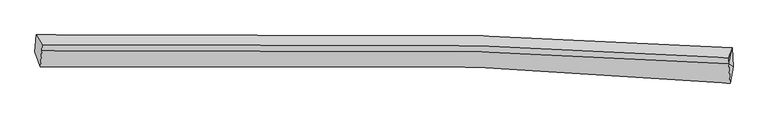
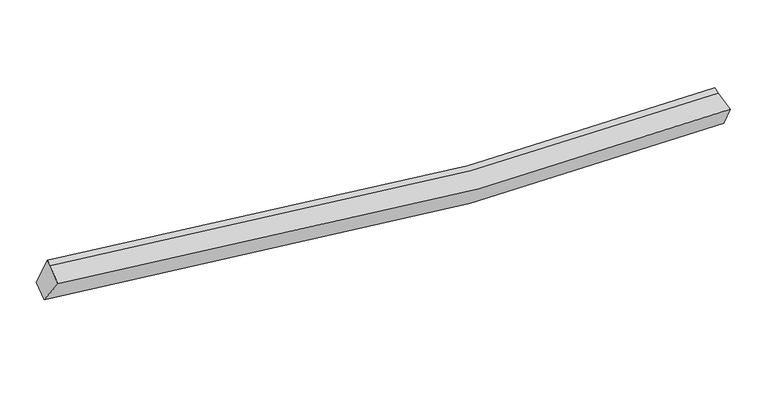
"""IFC4 building model written with IfcOpenShell, lengths in millimetres: proxy geometry."""

from ifc_helpers import new_model, si_unit, frame, origin, place, context, project, spatial, source, transform, mapped, element, save
from ifc_brep_helpers import plane_surface, spline_curve, spline_surface, advanced_brep


def generic_models_098ea172(model_context):
    return source(origin(), model_context, "Body", "AdvancedBrep", [
        advanced_brep(
        [(-8444.6768087, -1980.0500336, 3327.300035), (-8416.0499164, -1588.807697, 3528.2902223), (7798.1280313, -1889.2336701, 2507.0097256), (7821.1793355, -2325.2243945, 2360.7998423), (-8318.2798719, -2330.9831827, 3895.8681833), (7753.1752986, -2710.6996372, 2974.793585), (-8283.3556462, -1963.4224057, 4124.2346969), (7718.1698557, -2262.7488066, 3124.0317218), (-8277.6491741, -1820.0635121, 4174.3289073), (7723.8763278, -2119.389913, 3174.1259322)],
        [
            (0, 1),
            (1, 2, spline_curve(3, [(-8416.0499164, -1588.807697, 3528.2902223), (-4990.216392358, -1495.503279877, 2869.718860881), (-1557.51469954, -1502.016037054, 2492.265421462), (3851.826954392, -1669.238959491, 2340.760508514), (5823.851243153, -1762.868193359, 2377.787116015), (7798.1280313, -1889.2336701, 2507.0097256)], [4, 2, 4], [0.0, 34.03354592713431, 53.52386633013868])),
            (2, 3),
            (3, 0, spline_curve(3, [(7821.1793355, -2325.2243945, 2360.7998423), (5829.400996505, -2176.871077165, 2209.242517691), (3843.964043367, -2067.282835808, 2155.592930595), (-1590.982350603, -1872.789899553, 2277.133634548), (-5027.497445892, -1867.320020603, 2652.949953665), (-8444.6768087, -1980.0500336, 3327.300035)], [4, 2, 4], [0.0, 19.490320403004368, 53.52386633013868])),
            (4, 0),
            (3, 5),
            (5, 4, spline_curve(3, [(7753.1752986, -2710.6996372, 2974.793585), (5786.831587305, -2546.664407461, 2809.824096914), (3826.159942851, -2425.577946745, 2745.638477227), (-1542.614602153, -2210.998031849, 2846.14373871), (-4939.0946814, -2205.512339928, 3217.354225173), (-8318.2798719, -2330.9831827, 3895.8681833)], [4, 2, 4], [0.0, 19.40871074938638, 53.299751790142466])),
            (6, 4),
            (5, 7),
            (7, 6, spline_curve(3, [(7718.1698557, -2262.7488066, 3124.0317218), (5774.379346001, -2136.909471938, 2992.841977847), (3831.139208635, -2043.663389894, 2953.632928248), (-1503.830412514, -1877.099995044, 3098.553195879), (-4894.432109757, -1870.57061056, 3471.16323749), (-8283.3556462, -1963.4224057, 4124.2346969)], [4, 2, 4], [0.0, 19.248144492774124, 52.85880845630582])),
            (8, 6),
            (7, 9),
            (9, 8, spline_curve(3, [(7723.8763278, -2119.389913, 3174.1259322), (5780.085817713, -1993.550578114, 3042.936188419), (3836.845680989, -1900.304495788, 3003.727138916), (-1498.123940858, -1733.741102328, 3148.647405811), (-4888.725637921, -1727.211717261, 3521.257447641), (-8277.6491741, -1820.0635121, 4174.3289073)], [4, 2, 4], [0.0, 19.20271478838599, 52.73405045465115])),
            (1, 8),
            (9, 2),
            (7, 2),
            (3, 7),
        ],
        [
            spline_surface(3, 3, [[(-8444.6768087, -1980.0500336, 3327.300035), (-5027.497445763, -1867.320020401, 2652.949953328), (-1590.982350826, -1872.789899283, 2277.133634941), (3843.964043495, -2067.282835963, 2155.59293037), (5829.400996609, -2176.871077363, 2209.242517846), (7821.1793355, -2325.2243945, 2360.7998423)], [(-8435.134511264, -1849.635921417, 3394.296764103), (-5015.070428111, -1743.381106879, 2725.206256026), (-1579.826467002, -1749.198611792, 2348.844230519), (3846.585013739, -1934.601543864, 2217.31545639), (5827.551078843, -2038.870116141, 2265.424050536), (7813.495567425, -2179.894153039, 2409.536470053)], [(-8425.592213836, -1719.221809183, 3461.293493197), (-5002.643410467, -1619.442193307, 2797.462558716), (-1568.67058314, -1625.607324278, 2420.554826073), (3849.20598402, -1801.920251743, 2279.037982386), (5825.701161102, -1900.869154902, 2321.605583267), (7805.811799375, -2034.563911561, 2458.273097847)], [(-8416.0499164, -1588.807697, 3528.2902223), (-4990.216392816, -1495.503279786, 2869.718861414), (-1557.514699316, -1502.016036788, 2492.265421651), (3851.826954263, -1669.238959644, 2340.760508406), (5823.851243336, -1762.86819368, 2377.787115957), (7798.1280313, -1889.2336701, 2507.0097256)]], [4, 4], [4, 2, 4], [0.0, 1.419136557430814], [0.0, 34.03354592713431, 53.52386633013868]),
            spline_surface(3, 3, [[(-8318.2798719, -2330.9831827, 3895.8681833), (-4939.094681663, -2205.512340307, 3217.354225154), (-1542.614602569, -2210.998031506, 2846.143739231), (3826.159943089, -2425.577946941, 2745.638476928), (5786.831587497, -2546.664407254, 2809.824096716), (7753.1752986, -2710.6996372, 2974.793585)], [(-8360.412184165, -2214.00546634, 3706.345467205), (-4968.562269695, -2092.781567012, 3029.219467883), (-1558.737185324, -2098.26198743, 2656.473704471), (3832.094643221, -2306.14624328, 2548.956628079), (5801.021390544, -2423.399963979, 2609.630237085), (7775.84331091, -2582.207889655, 2770.129004092)], [(-8402.544496435, -2097.02774996, 3516.822751095), (-4998.029857731, -1980.050793696, 2841.084710599), (-1574.85976807, -1985.525943359, 2466.803669702), (3838.029343363, -2186.714539624, 2352.27477922), (5815.211193562, -2300.135520638, 2409.436377477), (7798.51132319, -2453.716142045, 2565.464423208)], [(-8444.6768087, -1980.0500336, 3327.300035), (-5027.497445763, -1867.320020401, 2652.949953328), (-1590.982350826, -1872.789899283, 2277.133634941), (3843.964043495, -2067.282835963, 2155.59293037), (5829.400996609, -2176.871077363, 2209.242517846), (7821.1793355, -2325.2243945, 2360.7998423)]], [4, 4], [4, 2, 4], [0.0, 2.2019210803608282], [0.0, 33.891041040756086, 53.299751790142466]),
            spline_surface(3, 3, [[(-8283.3556462, -1963.4224057, 4124.2346969), (-4894.432109558, -1870.570610509, 3471.163237122), (-1503.830412676, -1877.099995446, 3098.553195778), (3831.139208728, -2043.663389664, 2953.632928306), (5774.3793458, -2136.909471669, 2992.841977976), (7718.1698557, -2262.7488066, 3124.0317218)], [(-8294.997054771, -2085.942664698, 4048.112525681), (-4909.319633597, -1982.217853773, 3386.560233114), (-1516.758475967, -1988.399340817, 3014.416710251), (3829.479453522, -2170.968242107, 2884.301444501), (5778.530093022, -2273.494450177, 2931.836017568), (7729.838336656, -2412.065750113, 3074.285676213)], [(-8306.638463329, -2208.462923702, 3971.990354519), (-4924.207157624, -2093.865097043, 3301.957229162), (-1529.686539278, -2099.698686136, 2930.280224759), (3827.819698295, -2298.273094498, 2814.969960733), (5782.680840276, -2410.079428746, 2870.830057123), (7741.506817644, -2561.382693687, 3024.539630587)], [(-8318.2798719, -2330.9831827, 3895.8681833), (-4939.094681663, -2205.512340307, 3217.354225154), (-1542.614602569, -2210.998031506, 2846.143739231), (3826.159943089, -2425.577946941, 2745.638476928), (5786.831587497, -2546.664407254, 2809.824096716), (7753.1752986, -2710.6996372, 2974.793585)]], [4, 4], [4, 2, 4], [0.0, 1.3907561881086015], [0.0, 33.6106639635317, 52.85880845630582]),
            spline_surface(3, 3, [[(-8277.6491741, -1820.0635121, 4174.3289073), (-4888.725637458, -1727.211716909, 3521.257447522), (-1498.123940576, -1733.741101846, 3148.647406178), (3836.845680828, -1900.304496064, 3003.727138706), (5780.0858179, -1993.550578069, 3042.936188376), (7723.8763278, -2119.389913, 3174.1259322)], [(-8279.551331467, -1867.84980997, 4157.63083717), (-4890.627794824, -1774.998014779, 3504.559377392), (-1500.026097942, -1781.527399716, 3131.949336048), (3834.943523461, -1948.090793933, 2987.029068576), (5778.183660534, -2041.336875938, 3026.238118246), (7721.974170433, -2167.17621087, 3157.42786207)], [(-8281.453488833, -1915.63610783, 4140.93276703), (-4892.529952191, -1822.78431264, 3487.861307252), (-1501.928255309, -1829.313697577, 3115.251265909), (3833.041366094, -1995.877091794, 2970.330998436), (5776.281503167, -2089.123173799, 3009.540048106), (7720.072013067, -2214.96250873, 3140.72979193)], [(-8283.3556462, -1963.4224057, 4124.2346969), (-4894.432109558, -1870.570610509, 3471.163237122), (-1503.830412676, -1877.099995446, 3098.553195778), (3831.139208728, -2043.663389664, 2953.632928306), (5774.3793458, -2136.909471669, 2992.841977976), (7718.1698557, -2262.7488066, 3124.0317218)]], [4, 4], [4, 2, 4], [0.0, 0.4985772053029814], [0.0, 33.53133566626516, 52.73405045465115]),
            spline_surface(3, 3, [[(-8416.0499164, -1588.807697, 3528.2902223), (-4990.216392816, -1495.503279786, 2869.718861414), (-1557.514699316, -1502.016036788, 2492.265421651), (3851.826954263, -1669.238959644, 2340.760508406), (5823.851243336, -1762.86819368, 2377.787115957), (7798.1280313, -1889.2336701, 2507.0097256)], [(-8369.916335633, -1665.892968675, 3743.636450641), (-4956.386141029, -1572.739425468, 3086.898390125), (-1537.717779727, -1579.257725114, 2711.059416491), (3846.833196461, -1746.260805091, 2561.74938517), (5809.2627682, -1839.7623218, 2599.503473435), (7773.377463476, -1965.952417723, 2729.381794472)], [(-8323.782754867, -1742.978240425, 3958.982678959), (-4922.555889244, -1649.975571226, 3304.077918811), (-1517.920860165, -1656.499413519, 2929.853411338), (3841.83943863, -1823.282650617, 2782.738261941), (5794.674293037, -1916.65644995, 2821.219830898), (7748.626895624, -2042.671165377, 2951.753863328)], [(-8277.6491741, -1820.0635121, 4174.3289073), (-4888.725637458, -1727.211716909, 3521.257447522), (-1498.123940576, -1733.741101846, 3148.647406178), (3836.845680828, -1900.304496064, 3003.727138706), (5780.0858179, -1993.550578069, 3042.936188376), (7723.8763278, -2119.389913, 3174.1259322)]], [4, 4], [4, 2, 4], [0.0, 2.2919731145244504], [0.0, 33.7538173092464, 53.083942815127855]),
            plane_surface(frame((-8348.0022835, -1936.6653662, 3810.004409), z_axis=(-0.9795399798002178, -0.03051873515930005, 0.19892218271792927), x_axis=(-0.06494596865915112, -0.8876133760948044, -0.45598740742756017))),
            plane_surface(frame((7746.7247383, -2090.4574633, 2935.0557932), z_axis=(0.9938010792044277, -0.06979608360189793, 0.08653277810143292), x_axis=(0.11018258579067343, 0.5147048850770507, -0.8502580073520631))),
            plane_surface(frame((7764.1748299, -2432.8909461, 2819.8750497), z_axis=(0.9908116148276295, 0.033798013988395006, 0.1309581542826011), x_axis=(0.07393653360034673, -0.9461366267670035, -0.31521242438888836))),
            plane_surface(frame((7779.1590742, -2159.0689571, 2663.9470965), z_axis=(0.9910689593588268, 0.00775542472536854, 0.13312464528682014), x_axis=(0.1333142430717946, -0.0808555263869381, -0.9877700625382841))),
        ],
        [
            (0, [[1, 2, 3, 4]]),
            (1, [[5, -4, 6, 7]]),
            (2, [[8, -7, 9, 10]]),
            (3, [[11, -10, 12, 13]]),
            (4, [[14, -13, 15, -2]]),
            (5, [[-1, -5, -8, -11, -14]]),
            (6, [[16, -15, -12]]),
            (7, [[-9, -6, 17]]),
            (8, [[-17, -3, -16]]),
        ],
    ),
    ])


if __name__ == "__main__":
    model = new_model("IFC4")
    model_context = context("Model", 3, world=origin())
    ifc_project = project(units=[si_unit("LENGTHUNIT", "METRE", prefix="MILLI")], contexts=[model_context])
    site = spatial("IfcSite", under=ifc_project)
    building = spatial("IfcBuilding", under=site)
    placement = place(None, origin())
    generic_models_shape = generic_models_098ea172(model_context)
    element("IfcBuildingElementProxy", 1, Name="Generic Models", at=placement, inside=building, context=model_context, shape_type="MappedRepresentation", body=[
        mapped(generic_models_shape, transform((0.0, 0.0, 0.0), x_axis=(1.0, 0.0, 0.0), y_axis=(0.0, 1.0, 0.0), z_axis=(0.0, 0.0, 1.0))),
    ])
    save(model, "model.ifc")
